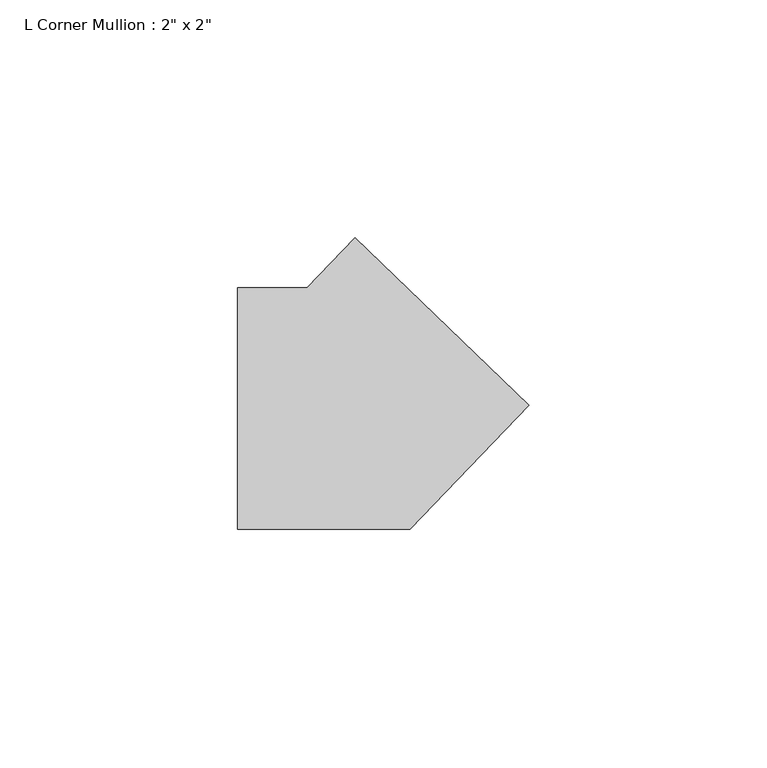
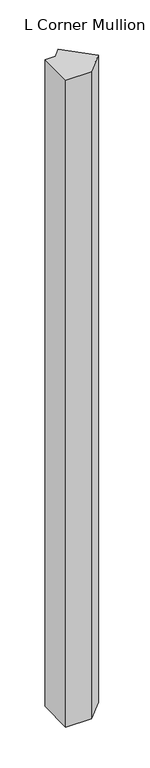
"""IFC4 building model written with IfcOpenShell, lengths in millimetres: member geometry."""

import ifcopenshell
import ifcopenshell.guid

model = None  # the IFC model being written
_history = None  # IfcOwnerHistory: only IFC2X3 demands one
_inside = {}  # id of a spatial element -> (the spatial element, [elements in it])
_under = {}  # id of a project, library or spatial element -> (it, [spatial elements below it])
_declared = {}  # id of a project -> (the project, [libraries it declares])
_typed = {}  # id of a type object -> (the type object, [elements of that type])
_made_of = {}  # id of a material, layer set ... -> (it, [elements and type objects made of it])


def new_model(schema):
    """Start an empty IFC model of exactly this schema.

    Asked for "IFC4X3", IfcOpenShell would pick the latest addendum, in which some entities
    have other attributes; the version numbers below select the first issue.
    IFC2X3 requires an IfcOwnerHistory on every rooted entity: one is made here for all.
    """
    global model, _history
    if schema == "IFC4X3":
        model = ifcopenshell.file(schema_version=(4, 3, 0, 0))
    else:
        model = ifcopenshell.file(schema=schema)
    _inside.clear()
    _under.clear()
    _declared.clear()
    _typed.clear()
    _made_of.clear()
    _history = None
    if model.schema == "IFC2X3":
        org = make("IfcOrganization", Name="unknown")
        user = make(
            "IfcPersonAndOrganization",
            ThePerson=make("IfcPerson", FamilyName="unknown"),
            TheOrganization=org,
        )
        app = make(
            "IfcApplication",
            ApplicationDeveloper=org,
            Version="unknown",
            ApplicationFullName="unknown",
            ApplicationIdentifier="unknown",
        )
        _history = make(
            "IfcOwnerHistory",
            OwningUser=user,
            OwningApplication=app,
            ChangeAction="ADDED",
            CreationDate=0,
        )
    return model


def make(cls, **values):
    """One entity of the class cls with the attributes given. An attribute that is None is left unset."""
    return model.create_entity(
        cls, **{name: value for name, value in values.items() if value is not None}
    )


def rooted(cls, **values):
    """An entity with a GlobalId (a new one), such as an element, a storey or a relation."""
    return make(cls, GlobalId=ifcopenshell.guid.new(), OwnerHistory=_history, **values)


def si_unit(unit_type, name, prefix=None):
    """IfcSIUnit, for example si_unit("LENGTHUNIT", "METRE", prefix="MILLI")."""
    return make("IfcSIUnit", UnitType=unit_type, Prefix=prefix, Name=name)


def assignment(units):
    """IfcUnitAssignment: the units of a project."""
    return None if units is None else make("IfcUnitAssignment", Units=units)


def point(xyz):
    """IfcCartesianPoint."""
    return None if xyz is None else make("IfcCartesianPoint", Coordinates=xyz)


def direction(xyz):
    """IfcDirection."""
    return None if xyz is None else make("IfcDirection", DirectionRatios=xyz)


def frame(location, z_axis=None, x_axis=None):
    """IfcAxis2Placement3D, a coordinate frame: its origin and axes. An axis left out is left unset."""
    return make(
        "IfcAxis2Placement3D",
        Location=point(location),
        Axis=direction(z_axis),
        RefDirection=direction(x_axis),
    )


def origin():
    """The frame at (0, 0, 0) with its axes left unset."""
    return frame((0.0, 0.0, 0.0))


def place(relative_to, where):
    """IfcLocalPlacement: puts the frame where relative to a parent placement (None: the world)."""
    return make(
        "IfcLocalPlacement", PlacementRelTo=relative_to, RelativePlacement=where
    )


def context(
    kind, dimensions, precision=None, world=None, true_north=None, identifier=None
):
    """IfcGeometricRepresentationContext, for example the 3D "Model" context."""
    return make(
        "IfcGeometricRepresentationContext",
        ContextIdentifier=identifier,
        ContextType=kind,
        CoordinateSpaceDimension=dimensions,
        Precision=precision,
        WorldCoordinateSystem=world,
        TrueNorth=true_north,
    )


def project(units=None, contexts=None):
    """IfcProject with its units and contexts."""
    return rooted(
        "IfcProject",
        Name="project",
        RepresentationContexts=contexts,
        UnitsInContext=assignment(units),
    )


def spatial(cls, under=None, at=None, **own):
    """A site, building, storey or space (cls), placed at a placement, below another one or the project."""
    s = rooted(cls, ObjectPlacement=at, **own)
    if under is not None:
        _under.setdefault(under.id(), (under, []))[1].append(s)
    return s


def polyline(points):
    """IfcPolyline through the points."""
    return make("IfcPolyline", Points=[point(p) for p in points])


def outline(outer, holes=None, kind="AREA"):
    """IfcArbitraryClosedProfileDef: a profile drawn as a closed curve; with holes, ...WithVoids."""
    if holes is None:
        return make("IfcArbitraryClosedProfileDef", ProfileType=kind, OuterCurve=outer)
    return make(
        "IfcArbitraryProfileDefWithVoids",
        ProfileType=kind,
        OuterCurve=outer,
        InnerCurves=holes,
    )


def extrude(swept, where, along, depth):
    """IfcExtrudedAreaSolid: the profile swept, set in the frame where, extruded along a direction by depth."""
    return make(
        "IfcExtrudedAreaSolid",
        SweptArea=swept,
        Position=where,
        ExtrudedDirection=direction(along),
        Depth=depth,
    )


def shape(context_of_items, identifier, shape_type, items):
    """IfcShapeRepresentation: the items that make up one representation, for example the "Body"."""
    return make(
        "IfcShapeRepresentation",
        ContextOfItems=context_of_items,
        RepresentationIdentifier=identifier,
        RepresentationType=shape_type,
        Items=items,
    )


def source(mapping_origin, context_of_items, identifier, shape_type, items):
    """IfcRepresentationMap: a shape defined once, which mapped items show again and again."""
    return make(
        "IfcRepresentationMap",
        MappingOrigin=mapping_origin,
        MappedRepresentation=shape(context_of_items, identifier, shape_type, items),
    )


def transform(
    local_origin,
    x_axis=None,
    y_axis=None,
    z_axis=None,
    scale=None,
    scale2=None,
    scale3=None,
    uniform=True,
):
    """IfcCartesianTransformationOperator3D, or its non-uniform kind. x_axis, y_axis, z_axis: its Axis1, 2, 3."""
    if uniform:
        return make(
            "IfcCartesianTransformationOperator3D",
            Axis1=direction(x_axis),
            Axis2=direction(y_axis),
            LocalOrigin=point(local_origin),
            Scale=scale,
            Axis3=direction(z_axis),
        )
    return make(
        "IfcCartesianTransformationOperator3DnonUniform",
        Axis1=direction(x_axis),
        Axis2=direction(y_axis),
        LocalOrigin=point(local_origin),
        Scale=scale,
        Axis3=direction(z_axis),
        Scale2=scale2,
        Scale3=scale3,
    )


def mapped(mapping_source, mapping_target):
    """IfcMappedItem: shows the shape of a source again, moved by a transform."""
    return make(
        "IfcMappedItem", MappingSource=mapping_source, MappingTarget=mapping_target
    )


def made_of(thing, what):
    """Note that an element or type object is made of a material, layer set ...; save() writes the relation."""
    if what is not None:
        _made_of.setdefault(what.id(), (what, []))[1].append(thing)
    return thing


def element(
    cls,
    number,
    at=None,
    inside=None,
    cuts=None,
    type_object=None,
    material=None,
    context=None,
    identifier="Body",
    shape_type=None,
    held_by="IfcProductDefinitionShape",
    body=None,
    shapes=None,
    **own,
):
    """One element of the class cls, such as IfcWall. Its Tag is "e" and its number.

    at: its placement. inside: the storey or other place that contains it. cuts: it is an
    opening in that element (IfcRelVoidsElement). A single representation is given by context,
    identifier, shape_type and body (its items); several are given by shapes. held_by: the class
    of the entity that holds the representations. save() writes the other relations.
    """
    e = rooted(cls, Tag="e%d" % number, ObjectPlacement=at, **own)
    if body is not None:
        shapes = [shape(context, identifier, shape_type, body)]
    if shapes is not None:
        e.Representation = make(held_by, Representations=shapes)
    if inside is not None:
        _inside.setdefault(inside.id(), (inside, []))[1].append(e)
    if cuts is not None:
        rooted(
            "IfcRelVoidsElement", RelatingBuildingElement=cuts, RelatedOpeningElement=e
        )
    if type_object is not None:
        _typed.setdefault(type_object.id(), (type_object, []))[1].append(e)
    return made_of(e, material)


def aggregate(whole, parts):
    """IfcRelAggregates: a whole, such as a stair, and the parts it consists of."""
    return rooted("IfcRelAggregates", RelatingObject=whole, RelatedObjects=parts)


def save(model, path):
    """Write the relations noted so far, then the file.

    IfcRelAggregates (storeys below a building ...), IfcRelContainedInSpatialStructure (elements
    in a storey), IfcRelDefinesByType, IfcRelAssociatesMaterial and IfcRelDeclares: one each for
    every whole, place, type object, material and project.
    """
    for whole, parts in _under.values():
        aggregate(whole, parts)
    for where, things in _inside.values():
        rooted(
            "IfcRelContainedInSpatialStructure",
            RelatedElements=things,
            RelatingStructure=where,
        )
    for kind, things in _typed.values():
        rooted("IfcRelDefinesByType", RelatedObjects=things, RelatingType=kind)
    for what, things in _made_of.values():
        rooted("IfcRelAssociatesMaterial", RelatedObjects=things, RelatingMaterial=what)
    for by, libraries in _declared.values():
        rooted("IfcRelDeclares", RelatingContext=by, RelatedDefinitions=libraries)
    model.write(path)


def member_af5bd1fc(model_context):
    return source(origin(), model_context, "Body", "SweptSolid", [
        extrude(outline(polyline([(35.913317, 0.7440862), (10.8305964, -25.4), (-25.4, -25.4), (-25.4, 25.4), (-10.8305964, 25.4), (-0.7440862, 35.913317), (35.913317, 0.7440862)])), frame((0.0, 0.0, -965.5476832), z_axis=(0.0, 0.0, 1.0), x_axis=(1.0, 0.0, 0.0)), (0.0, 0.0, 1.0), 965.5476832),
    ])


if __name__ == "__main__":
    model = new_model("IFC4")
    model_context = context("Model", 3, world=origin())
    ifc_project = project(units=[si_unit("LENGTHUNIT", "METRE", prefix="MILLI")], contexts=[model_context])
    site = spatial("IfcSite", under=ifc_project)
    building = spatial("IfcBuilding", under=site)
    placement = place(None, origin())
    member_shape = member_af5bd1fc(model_context)
    element("IfcMember", 1, ObjectType="L Corner Mullion : 2\" x 2\"", at=placement, inside=building, context=model_context, shape_type="MappedRepresentation", body=[
        mapped(member_shape, transform((0.0, 0.0, 0.0), x_axis=(1.0, 0.0, 0.0), y_axis=(0.0, 1.0, 0.0), z_axis=(0.0, 0.0, 1.0))),
    ])
    save(model, "model.ifc")
